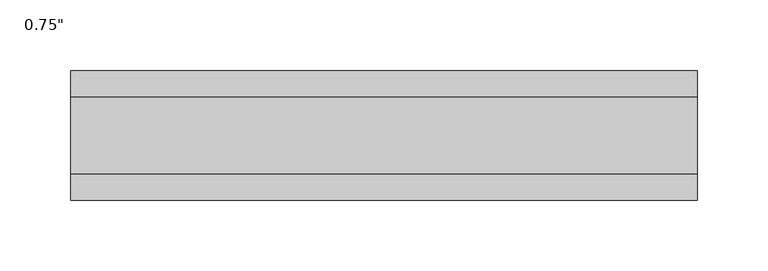
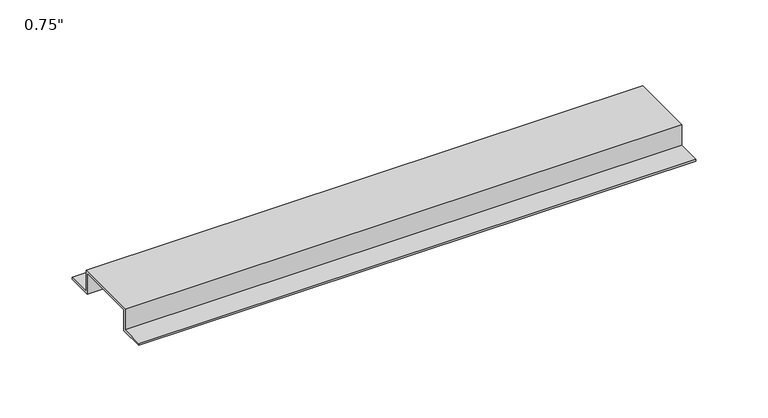
"""IFC4 building model written with IfcOpenShell, lengths in millimetres: proxy geometry."""

from ifc_helpers import new_model, si_unit, frame, origin, place, context, project, spatial, polyline, outline, extrude, source, transform, mapped, element, save


def proxy_f99f2cb9(model_context):
    return source(origin(), model_context, "Body", "SweptSolid", [
        extrude(outline(polyline([(-46.0559645, -17.4625), (-46.0559645, -15.8492), (-27.0129, -15.8492), (-27.0129, 1.6129), (27.0129, 1.6129), (27.0129, -15.8492), (46.0559645, -15.8492), (46.0559645, -17.4625), (25.4, -17.4625), (25.4, 0.0), (-25.4, 0.0), (-25.4, -17.4625), (-46.0559645, -17.4625)])), frame((0.0, 0.0, 0.0), z_axis=(1.0, 0.0, 0.0), x_axis=(0.0, 1.0, 0.0)), (0.0, 0.0, 1.0), 444.5),
    ])


if __name__ == "__main__":
    model = new_model("IFC4")
    model_context = context("Model", 3, world=origin())
    ifc_project = project(units=[si_unit("LENGTHUNIT", "METRE", prefix="MILLI")], contexts=[model_context])
    site = spatial("IfcSite", under=ifc_project)
    building = spatial("IfcBuilding", under=site)
    placement = place(None, origin())
    proxy_shape = proxy_f99f2cb9(model_context)
    element("IfcBuildingElementProxy", 1, Name="0.75\"", ObjectType="0.75\"", at=placement, inside=building, context=model_context, shape_type="MappedRepresentation", body=[
        mapped(proxy_shape, transform((0.0, 0.0, 0.0), x_axis=(1.0, 0.0, 0.0), y_axis=(0.0, 1.0, 0.0), z_axis=(0.0, 0.0, 1.0))),
    ])
    save(model, "model.ifc")
